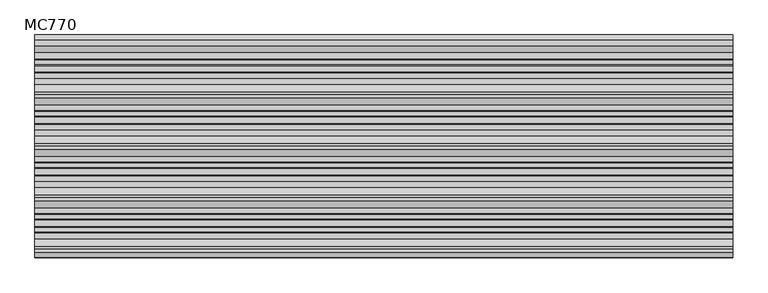
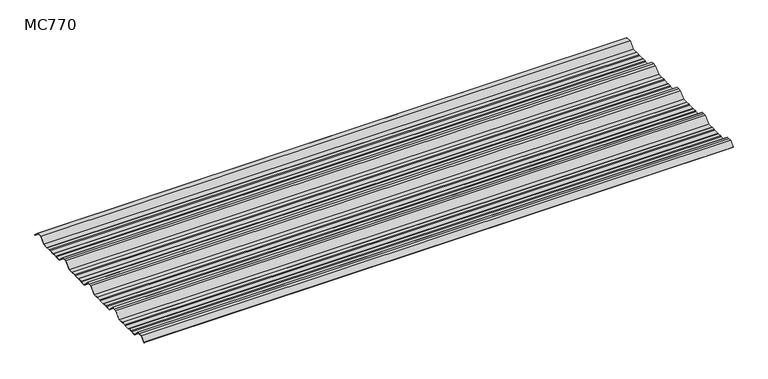
"""IFC4 building model written with IfcOpenShell, lengths in millimetres: beam geometry, MC770."""

from ifc_helpers import new_model, si_unit, point, frame, frame_2d, origin, place, context, project, spatial, polyline, circle_curve, trimmed, segment, composite_curve, outline, extrude, source, transform, mapped, element, save


def mc770_07f82617(model_context):
    return source(origin(), model_context, "Body", "SweptSolid", [
        extrude(outline(composite_curve([segment(polyline([(-155.0000967, -25.7896475), (-180.574511, 0.2103525), (-192.5, 0.2103525), (-204.425489, 0.2103525), (-229.9999033, -25.7896475), (-252.6975582, -25.7896475), (-255.9126024, -23.7494212), (-272.3405937, -23.7494212), (-276.7209114, -25.7896475), (-300.7790886, -25.7896475), (-305.1594063, -23.7494212), (-321.5873976, -23.7494212), (-324.8024418, -25.7896475), (-347.5000967, -25.7896475), (-373.074511, 0.2103525), (-385.0, 0.2103525), (-396.925489, 0.2103525), (-422.4999033, -25.7896475), (-445.1975582, -25.7896475), (-448.4126024, -23.7494212), (-464.8405937, -23.7494212), (-469.2209114, -25.7896475), (-493.2790886, -25.7896475), (-497.6594063, -23.7494212), (-514.0873976, -23.7494212), (-517.3024418, -25.7896475), (-540.0000967, -25.7896475), (-565.574511, 0.2103525), (-577.5, 0.2103525), (-589.425489, 0.2103525), (-614.9999033, -25.7896475), (-637.6975582, -25.7896475), (-640.9126024, -23.7494212), (-657.3405937, -23.7494212), (-661.7209114, -25.7896475), (-685.7790886, -25.7896475), (-690.1594063, -23.7494212), (-706.5873976, -23.7494212), (-709.8024418, -25.7896475), (-732.5000967, -25.7896475), (-758.074511, 0.2103525), (-770.0, 0.2103525), (-781.925489, 0.2103525), (-801.261749, -19.4476836)]), True, "CONTINUOUS"), segment(trimmed(circle_curve(frame_2d((-801.651258, -19.0516927)), 0.5554513), [point((-801.261749, -19.4476836))], [point((-802.0472489, -18.6621836))], False, "CARTESIAN"), True, "CONTINUOUS"), segment(polyline([(-802.0472489, -18.6621836), (-782.5, 1.2103525), (-770.0, 1.2103525), (-757.5, 1.2103525), (-731.9255858, -24.7896475), (-710.0929563, -24.7896475), (-706.8779121, -22.7494212), (-689.9379428, -22.7494212), (-685.5576251, -24.7896475), (-661.9423749, -24.7896475), (-657.5620572, -22.7494212), (-640.6220879, -22.7494212), (-637.4070437, -24.7896475), (-615.5744142, -24.7896475), (-590.0, 1.2103525), (-577.5, 1.2103525), (-565.0, 1.2103525), (-539.4255858, -24.7896475), (-517.5929563, -24.7896475), (-514.3779121, -22.7494212), (-497.4379428, -22.7494212), (-493.0576251, -24.7896475), (-469.4423749, -24.7896475), (-465.0620572, -22.7494212), (-448.1220879, -22.7494212), (-444.9070437, -24.7896475), (-423.0744142, -24.7896475), (-397.5, 1.2103525), (-385.0, 1.2103525), (-372.5, 1.2103525), (-346.9255858, -24.7896475), (-325.0929563, -24.7896475), (-321.8779121, -22.7494212), (-304.9379428, -22.7494212), (-300.5576251, -24.7896475), (-276.9423749, -24.7896475), (-272.5620572, -22.7494212), (-255.6220879, -22.7494212), (-252.4070437, -24.7896475), (-230.5744142, -24.7896475), (-205.0, 1.2103525), (-192.5, 1.2103525), (-180.0, 1.2103525), (-154.4255858, -24.7896475), (-132.5929563, -24.7896475), (-129.3779121, -22.7494212), (-112.4379428, -22.7494212), (-108.0576251, -24.7896475), (-84.4423749, -24.7896475), (-80.0620572, -22.7494212), (-63.1220879, -22.7494212), (-59.9070437, -24.7896475), (-35.113585, -24.7896475), (-11.5064334, -0.7896475), (11.5064334, -0.7896475), (31.651812, -21.2702668)]), True, "CONTINUOUS"), segment(trimmed(circle_curve(frame_2d((31.295329, -21.6209146)), 0.500034), [point((31.651812, -21.2702668))], [point((30.9446811, -21.9773977))], False, "CARTESIAN"), True, "CONTINUOUS"), segment(polyline([(30.9446811, -21.9773977), (11.0873778, -1.7896475), (-11.0873778, -1.7896475), (-34.6945294, -25.7896475), (-60.1975582, -25.7896475), (-63.4126024, -23.7494212), (-79.8405937, -23.7494212), (-84.2209114, -25.7896475), (-108.2790886, -25.7896475), (-112.6594063, -23.7494212), (-129.0873976, -23.7494212), (-132.3024418, -25.7896475), (-155.0000967, -25.7896475)]), True, "CONTINUOUS")], self_intersect=False)), frame((-1305.1012987, 0.0, 0.0), z_axis=(1.0, 0.0, 0.0), x_axis=(0.0, 1.0, 0.0)), (0.0, 0.0, 1.0), 2610.2025973),
    ])


if __name__ == "__main__":
    model = new_model("IFC4")
    model_context = context("Model", 3, world=origin())
    ifc_project = project(units=[si_unit("LENGTHUNIT", "METRE", prefix="MILLI")], contexts=[model_context])
    site = spatial("IfcSite", under=ifc_project)
    building = spatial("IfcBuilding", under=site)
    placement = place(None, origin())
    mc770_shape = mc770_07f82617(model_context)
    element("IfcBeam", 1, ObjectType="MC770", at=placement, inside=building, context=model_context, shape_type="MappedRepresentation", body=[
        mapped(mc770_shape, transform((0.0, 0.0, 0.0), x_axis=(1.0, 0.0, 0.0), y_axis=(0.0, 1.0, 0.0), z_axis=(0.0, 0.0, 1.0))),
    ])
    save(model, "model.ifc")
